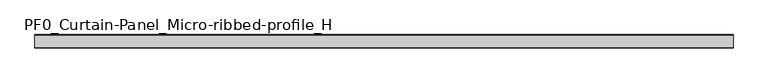
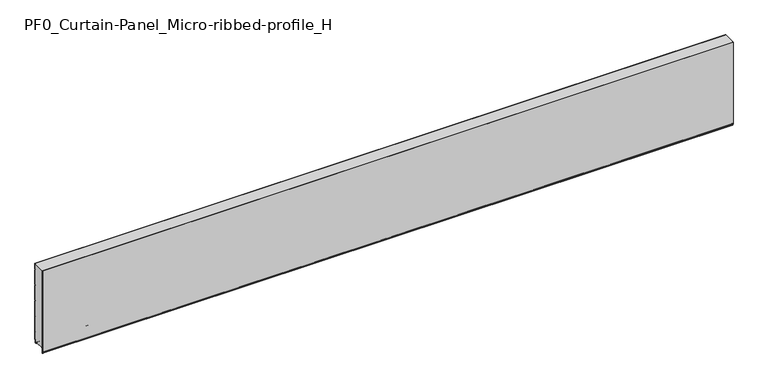
"""IFC4 building model written with IfcOpenShell, lengths in millimetres: plate geometry, PF0_Curtain-Panel_Micro-ribbed-profile_H."""

from ifc_helpers import new_model, si_unit, point, frame, frame_2d, origin, place, context, project, spatial, polyline, circle_curve, trimmed, segment, composite_curve, outline, extrude, source, transform, mapped, element, save


def pf0_curtain_panel_micro_ribbed_profile_h_1b21ddd7(model_context):
    return source(origin(), model_context, "Body", "SweptSolid", [
        extrude(outline(composite_curve([segment(polyline([(-15.878557, 0.0), (-20.0, 0.0), (-20.0, 0.8), (-15.878557, 0.8)]), True, "CONTINUOUS"), segment(trimmed(circle_curve(frame_2d((-15.878557, -2.0)), 2.8), [point((-15.878557, 0.8))], [point((-13.1503208, -1.370137))], False, "CARTESIAN"), True, "CONTINUOUS"), segment(polyline([(-13.1503208, -1.370137), (-11.728236, -7.529863)]), True, "CONTINUOUS"), segment(trimmed(circle_curve(frame_2d((-9.0, -6.9)), 2.8), [point((-11.728236, -7.529863))], [point((-6.2, -6.9))], True, "CARTESIAN"), True, "CONTINUOUS"), segment(polyline([(-6.2, -6.9), (-6.2, 8.6)]), True, "CONTINUOUS"), segment(trimmed(circle_curve(frame_2d((-3.4, 8.6)), 2.8), [point((-6.2, 8.6))], [point((-3.4, 11.4))], False, "CARTESIAN"), True, "CONTINUOUS"), segment(polyline([(-3.4, 11.4), (-2.0, 11.4)]), True, "CONTINUOUS"), segment(trimmed(circle_curve(frame_2d((-2.0, 12.6)), 1.2), [point((-2.0, 11.4))], [point((-0.8, 12.6))], True, "CARTESIAN"), True, "CONTINUOUS"), segment(polyline([(-0.8, 12.6), (-0.8, 57.6856412), (-2.482606, 60.6), (-0.8, 63.5143588), (-0.8, 157.6856412), (-2.482606, 160.6), (-0.8, 163.5143588), (-0.8, 257.6856412), (-2.482606, 260.6), (-0.8, 263.5143588), (-0.8, 357.6856412), (-2.482606, 360.6), (-0.8, 363.5143588), (-0.8, 457.6856412), (-2.482606, 460.6), (-0.8, 463.5143588), (-0.8, 500.0), (0.0, 500.0), (0.0, 463.2999995), (-1.5588455, 460.6), (0.0, 457.9000005), (0.0, 363.2999995), (-1.5588455, 360.6), (0.0, 357.9000005), (0.0, 263.2999995), (-1.5588455, 260.6), (0.0, 257.9000005), (0.0, 163.2999995), (-1.5588455, 160.6), (0.0, 157.9000005), (0.0, 63.2999995), (-1.5588455, 60.6), (0.0, 57.9000005), (0.0, 12.6)]), True, "CONTINUOUS"), segment(trimmed(circle_curve(frame_2d((-2.0, 12.6)), 2.0), [point((0.0, 12.6))], [point((-2.0, 10.6))], False, "CARTESIAN"), True, "CONTINUOUS"), segment(polyline([(-2.0, 10.6), (-3.4, 10.6)]), True, "CONTINUOUS"), segment(trimmed(circle_curve(frame_2d((-3.4, 8.6)), 2.0), [point((-3.4, 10.6))], [point((-5.4, 8.6))], True, "CARTESIAN"), True, "CONTINUOUS"), segment(polyline([(-5.4, 8.6), (-5.4, -6.9)]), True, "CONTINUOUS"), segment(trimmed(circle_curve(frame_2d((-9.0, -6.9)), 3.6), [point((-5.4, -6.9))], [point((-12.5077322, -7.7098239))], False, "CARTESIAN"), True, "CONTINUOUS"), segment(polyline([(-12.5077322, -7.7098239), (-13.929817, -1.5500979)]), True, "CONTINUOUS"), segment(trimmed(circle_curve(frame_2d((-15.878557, -2.0)), 2.0), [point((-13.929817, -1.5500979))], [point((-15.878557, 0.0))], True, "CARTESIAN"), True, "CONTINUOUS")], self_intersect=False)), frame((-2100.0, 0.0, 0.0), z_axis=(1.0, 0.0, 0.0), x_axis=(0.0, 1.0, 0.0)), (0.0, 0.0, 1.0), 4200.0),
        extrude(outline(composite_curve([segment(polyline([(-70.0, 0.0), (-73.5, 0.0)]), True, "CONTINUOUS"), segment(trimmed(circle_curve(frame_2d((-73.5, -2.0)), 2.0), [point((-73.5, 0.0))], [point((-75.5, -2.0))], True, "CARTESIAN"), True, "CONTINUOUS"), segment(polyline([(-75.5, -2.0), (-75.5, -33.0)]), True, "CONTINUOUS"), segment(trimmed(circle_curve(frame_2d((-76.5, -33.0)), 1.0), [point((-75.5, -33.0))], [point((-77.5, -33.0))], False, "CARTESIAN"), True, "CONTINUOUS"), segment(polyline([(-77.5, -33.0), (-77.5, -26.9)]), True, "CONTINUOUS"), segment(trimmed(circle_curve(frame_2d((-78.4, -26.9)), 0.9), [point((-77.5, -26.9))], [point((-78.4, -26.0))], True, "CARTESIAN"), True, "CONTINUOUS"), segment(trimmed(circle_curve(frame_2d((-78.4, -24.4)), 1.6), [point((-78.4, -26.0))], [point((-80.0, -24.4))], False, "CARTESIAN"), True, "CONTINUOUS"), segment(polyline([(-80.0, -24.4), (-80.0, 500.0), (-79.2, 500.0), (-79.2, -24.4)]), True, "CONTINUOUS"), segment(trimmed(circle_curve(frame_2d((-78.4, -24.4)), 0.8), [point((-79.2, -24.4))], [point((-78.4, -25.2))], True, "CARTESIAN"), True, "CONTINUOUS"), segment(trimmed(circle_curve(frame_2d((-78.6133333, -26.9)), 1.7133333), [point((-78.4, -25.2))], [point((-76.9, -26.9))], False, "CARTESIAN"), True, "CONTINUOUS"), segment(polyline([(-76.9, -26.9), (-76.9, -32.8700312)]), True, "CONTINUOUS"), segment(trimmed(circle_curve(frame_2d((-76.6, -32.8700312)), 0.3), [point((-76.9, -32.8700312))], [point((-76.3, -32.8700312))], True, "CARTESIAN"), True, "CONTINUOUS"), segment(polyline([(-76.3, -32.8700312), (-76.3, -2.0)]), True, "CONTINUOUS"), segment(trimmed(circle_curve(frame_2d((-73.5, -2.0)), 2.8), [point((-76.3, -2.0))], [point((-73.5, 0.8))], False, "CARTESIAN"), True, "CONTINUOUS"), segment(polyline([(-73.5, 0.8), (-70.0, 0.8), (-70.0, 0.0)]), True, "CONTINUOUS")], self_intersect=False)), frame((-2100.0, 0.0, 0.0), z_axis=(1.0, 0.0, 0.0), x_axis=(0.0, 1.0, 0.0)), (0.0, 0.0, 1.0), 4200.0),
        extrude(outline(composite_curve([segment(polyline([(-70.0, 0.8), (-73.5, 0.8)]), True, "CONTINUOUS"), segment(trimmed(circle_curve(frame_2d((-73.5, -2.0)), 2.8), [point((-73.5, 0.8))], [point((-76.3, -2.0))], True, "CARTESIAN"), True, "CONTINUOUS"), segment(polyline([(-76.3, -2.0), (-76.3, -32.8700312)]), True, "CONTINUOUS"), segment(trimmed(circle_curve(frame_2d((-76.6, -32.8700312)), 0.3), [point((-76.3, -32.8700312))], [point((-76.9, -32.8700312))], False, "CARTESIAN"), True, "CONTINUOUS"), segment(polyline([(-76.9, -32.8700312), (-76.9, -26.9)]), True, "CONTINUOUS"), segment(trimmed(circle_curve(frame_2d((-78.6133333, -26.9)), 1.7133333), [point((-76.9, -26.9))], [point((-78.4, -25.2))], True, "CARTESIAN"), True, "CONTINUOUS"), segment(trimmed(circle_curve(frame_2d((-78.4, -24.4)), 0.8), [point((-78.4, -25.2))], [point((-79.2, -24.4))], False, "CARTESIAN"), True, "CONTINUOUS"), segment(polyline([(-79.2, -24.4), (-79.2, 500.0), (-0.8, 500.0), (-0.8, 463.5143588), (-2.482606, 460.6), (-0.8, 457.6856412), (-0.8, 363.5143588), (-2.482606, 360.6), (-0.8, 357.6856412), (-0.8, 263.5143588), (-2.482606, 260.6), (-0.8, 257.6856412), (-0.8, 163.5143588), (-2.482606, 160.6), (-0.8, 157.6856412), (-0.8, 63.5143588), (-2.482606, 60.6), (-0.8, 57.6856412), (-0.8, 12.6)]), True, "CONTINUOUS"), segment(trimmed(circle_curve(frame_2d((-2.0, 12.6)), 1.2), [point((-0.8, 12.6))], [point((-2.0, 11.4))], False, "CARTESIAN"), True, "CONTINUOUS"), segment(polyline([(-2.0, 11.4), (-3.4, 11.4)]), True, "CONTINUOUS"), segment(trimmed(circle_curve(frame_2d((-3.4, 8.6)), 2.8), [point((-3.4, 11.4))], [point((-6.2, 8.6))], True, "CARTESIAN"), True, "CONTINUOUS"), segment(polyline([(-6.2, 8.6), (-6.2, -6.9)]), True, "CONTINUOUS"), segment(trimmed(circle_curve(frame_2d((-9.0, -6.9)), 2.8), [point((-6.2, -6.9))], [point((-11.7282362, -7.529863))], False, "CARTESIAN"), True, "CONTINUOUS"), segment(polyline([(-11.7282362, -7.529863), (-13.1503208, -1.370137)]), True, "CONTINUOUS"), segment(trimmed(circle_curve(frame_2d((-15.878557, -2.0)), 2.8), [point((-13.1503208, -1.370137))], [point((-15.878557, 0.8))], True, "CARTESIAN"), True, "CONTINUOUS"), segment(polyline([(-15.878557, 0.8), (-20.0, 0.8), (-20.0, 0.0), (-70.0, 0.0), (-70.0, 0.8)]), True, "CONTINUOUS")], self_intersect=False)), frame((-2100.0, 0.0, 0.0), z_axis=(1.0, 0.0, 0.0), x_axis=(0.0, 1.0, 0.0)), (0.0, 0.0, 1.0), 4200.0),
    ])


if __name__ == "__main__":
    model = new_model("IFC4")
    model_context = context("Model", 3, world=origin())
    ifc_project = project(units=[si_unit("LENGTHUNIT", "METRE", prefix="MILLI")], contexts=[model_context])
    site = spatial("IfcSite", under=ifc_project)
    building = spatial("IfcBuilding", under=site)
    placement = place(None, origin())
    pf0_curtain_panel_micro_ribbed_profile_h_shape = pf0_curtain_panel_micro_ribbed_profile_h_1b21ddd7(model_context)
    element("IfcPlate", 1, ObjectType="PF0_Curtain-Panel_Micro-ribbed-profile_H", at=placement, inside=building, context=model_context, shape_type="MappedRepresentation", body=[
        mapped(pf0_curtain_panel_micro_ribbed_profile_h_shape, transform((0.0, 0.0, 0.0), x_axis=(1.0, 0.0, 0.0), y_axis=(0.0, 1.0, 0.0), z_axis=(0.0, 0.0, 1.0))),
    ])
    save(model, "model.ifc")
